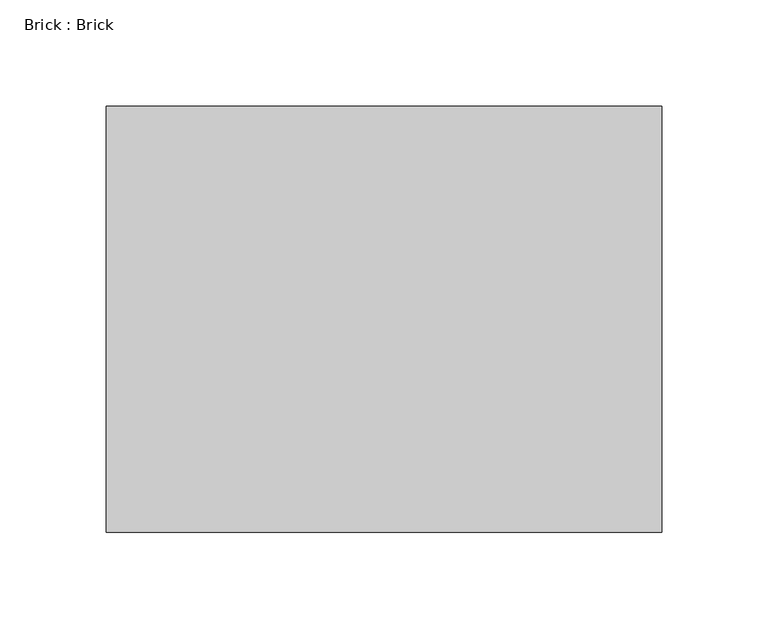
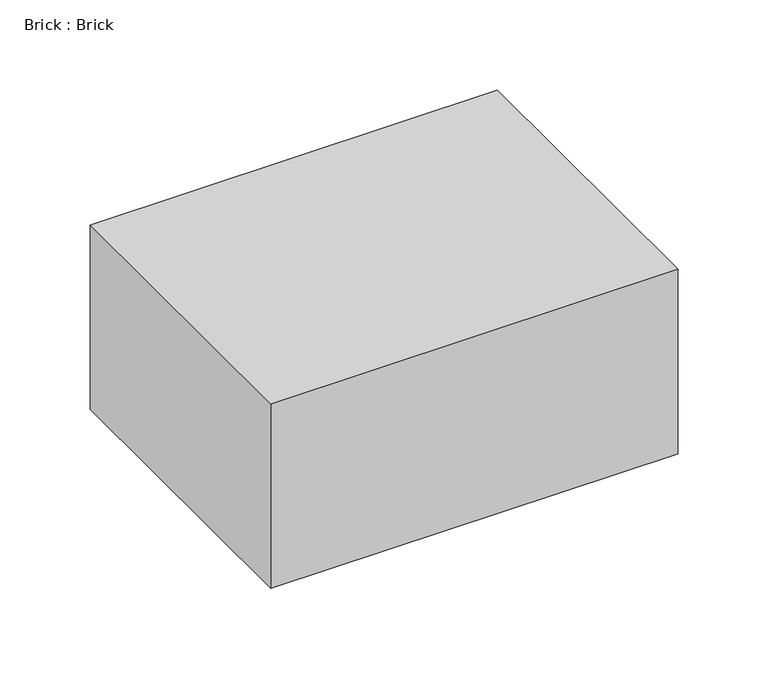
"""IFC4 building model written with IfcOpenShell, lengths in millimetres: proxy geometry, Brick : Brick."""

from ifc_helpers import new_model, si_unit, frame, origin, place, context, project, spatial, polyline, outline, extrude, source, transform, mapped, element, save


def brick_brick_9b987c2a(model_context):
    return source(origin(), model_context, "Body", "SweptSolid", [
        extrude(outline(polyline([(130.35, 100.0), (130.35, -100.0), (-130.35, -100.0), (-130.35, 100.0), (130.35, 100.0)])), frame((0.0, 0.0, -62.5), z_axis=(0.0, 0.0, 1.0), x_axis=(1.0, 0.0, 0.0)), (0.0, 0.0, 1.0), 125.0),
    ])


if __name__ == "__main__":
    model = new_model("IFC4")
    model_context = context("Model", 3, world=origin())
    ifc_project = project(units=[si_unit("LENGTHUNIT", "METRE", prefix="MILLI")], contexts=[model_context])
    site = spatial("IfcSite", under=ifc_project)
    building = spatial("IfcBuilding", under=site)
    placement = place(None, origin())
    brick_brick_shape = brick_brick_9b987c2a(model_context)
    element("IfcBuildingElementProxy", 1, Name="Brick : Brick", ObjectType="Brick : Brick", at=placement, inside=building, context=model_context, shape_type="MappedRepresentation", body=[
        mapped(brick_brick_shape, transform((0.0, 0.0, 0.0), x_axis=(1.0, 0.0, 0.0), y_axis=(0.0, 1.0, 0.0), z_axis=(0.0, 0.0, 1.0))),
    ])
    save(model, "model.ifc")
